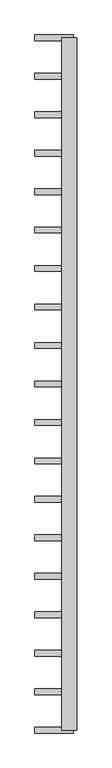
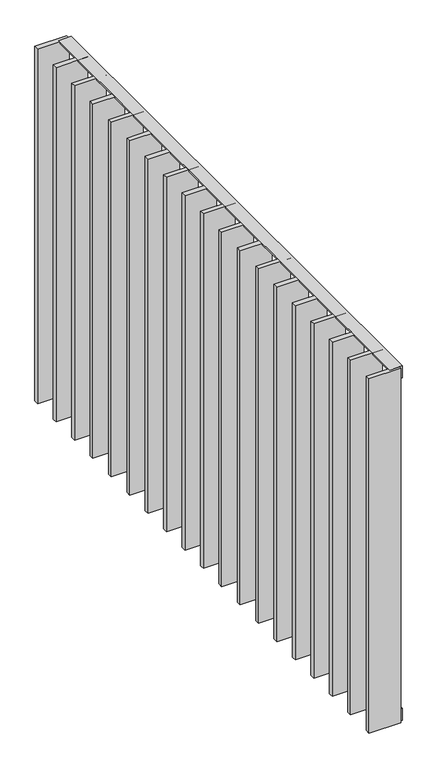
"""IFC4 building model written with IfcOpenShell, lengths in millimetres: railing geometry."""

from ifc_helpers import new_model, si_unit, frame, origin, place, context, project, spatial, polyline, outline, extrude, source, transform, mapped, element, save


def railing_aebfba8a(model_context):
    return source(origin(), model_context, "Body", "SweptSolid", [
        extrude(outline(polyline([(-6.0, 14.0), (-40.0, 14.0), (-40.0, 20.0), (0.0, 20.0), (0.0, -20.0), (-6.0, -20.0), (-6.0, 14.0)])), frame((4559.5112064, 28991.429446, 8000.0), z_axis=(2.5632840969418397e-12, 1.0, 0.0), x_axis=(0.0, 0.0, 1.0)), (0.0, 0.0, 1.0), 1810.0),
        extrude(outline(polyline([(6.0, 14.0), (6.0, -20.0), (0.0, -20.0), (0.0, 20.0), (40.0, 20.0), (40.0, 14.0), (6.0, 14.0)])), frame((4559.5112064, 28991.429446, 6820.0), z_axis=(2.5632840969418397e-12, 1.0, 0.0), x_axis=(0.0, 0.0, 1.0)), (0.0, 0.0, 1.0), 1810.0),
        extrude(outline(polyline([(4569.5112064, 30693.3738904), (4469.5112064, 30693.3738904), (4469.5112064, 30708.3738904), (4569.5112064, 30708.3738904), (4569.5112064, 30693.3738904)])), frame((0.0, 0.0, 6819.9), z_axis=(0.0, 0.0, 1.0), x_axis=(1.0, 0.0, 0.0)), (0.0, 0.0, 1.0), 1180.2),
        extrude(outline(polyline([(4569.5112064, 30592.8183349), (4469.5112064, 30592.8183349), (4469.5112064, 30607.8183349), (4569.5112064, 30607.8183349), (4569.5112064, 30592.8183349)])), frame((0.0, 0.0, 6819.9), z_axis=(0.0, 0.0, 1.0), x_axis=(1.0, 0.0, 0.0)), (0.0, 0.0, 1.0), 1180.2),
        extrude(outline(polyline([(4569.5112064, 30492.2627793), (4469.5112064, 30492.2627793), (4469.5112064, 30507.2627793), (4569.5112064, 30507.2627793), (4569.5112064, 30492.2627793)])), frame((0.0, 0.0, 6819.9), z_axis=(0.0, 0.0, 1.0), x_axis=(1.0, 0.0, 0.0)), (0.0, 0.0, 1.0), 1180.2),
        extrude(outline(polyline([(4569.5112064, 30391.7072238), (4469.5112064, 30391.7072238), (4469.5112064, 30406.7072238), (4569.5112064, 30406.7072238), (4569.5112064, 30391.7072238)])), frame((0.0, 0.0, 6819.9), z_axis=(0.0, 0.0, 1.0), x_axis=(1.0, 0.0, 0.0)), (0.0, 0.0, 1.0), 1180.2),
        extrude(outline(polyline([(4569.5112064, 30291.1516682), (4469.5112064, 30291.1516682), (4469.5112064, 30306.1516682), (4569.5112064, 30306.1516682), (4569.5112064, 30291.1516682)])), frame((0.0, 0.0, 6819.9), z_axis=(0.0, 0.0, 1.0), x_axis=(1.0, 0.0, 0.0)), (0.0, 0.0, 1.0), 1180.2),
        extrude(outline(polyline([(4569.5112064, 30190.5961127), (4469.5112064, 30190.5961127), (4469.5112064, 30205.5961127), (4569.5112064, 30205.5961127), (4569.5112064, 30190.5961127)])), frame((0.0, 0.0, 6819.9), z_axis=(0.0, 0.0, 1.0), x_axis=(1.0, 0.0, 0.0)), (0.0, 0.0, 1.0), 1180.2),
        extrude(outline(polyline([(4569.5112064, 30090.0405571), (4469.5112064, 30090.0405571), (4469.5112064, 30105.0405571), (4569.5112064, 30105.0405571), (4569.5112064, 30090.0405571)])), frame((0.0, 0.0, 6819.9), z_axis=(0.0, 0.0, 1.0), x_axis=(1.0, 0.0, 0.0)), (0.0, 0.0, 1.0), 1180.2),
        extrude(outline(polyline([(4569.5112064, 29989.4850015), (4469.5112064, 29989.4850015), (4469.5112064, 30004.4850015), (4569.5112064, 30004.4850015), (4569.5112064, 29989.4850015)])), frame((0.0, 0.0, 6819.9), z_axis=(0.0, 0.0, 1.0), x_axis=(1.0, 0.0, 0.0)), (0.0, 0.0, 1.0), 1180.2),
        extrude(outline(polyline([(4569.5112064, 29888.929446), (4469.5112064, 29888.929446), (4469.5112064, 29903.929446), (4569.5112064, 29903.929446), (4569.5112064, 29888.929446)])), frame((0.0, 0.0, 6819.9), z_axis=(0.0, 0.0, 1.0), x_axis=(1.0, 0.0, 0.0)), (0.0, 0.0, 1.0), 1180.2),
        extrude(outline(polyline([(4569.5112064, 29788.3738904), (4469.5112064, 29788.3738904), (4469.5112064, 29803.3738904), (4569.5112064, 29803.3738904), (4569.5112064, 29788.3738904)])), frame((0.0, 0.0, 6819.9), z_axis=(0.0, 0.0, 1.0), x_axis=(1.0, 0.0, 0.0)), (0.0, 0.0, 1.0), 1180.2),
        extrude(outline(polyline([(4569.5112064, 29687.8183349), (4469.5112064, 29687.8183349), (4469.5112064, 29702.8183349), (4569.5112064, 29702.8183349), (4569.5112064, 29687.8183349)])), frame((0.0, 0.0, 6819.9), z_axis=(0.0, 0.0, 1.0), x_axis=(1.0, 0.0, 0.0)), (0.0, 0.0, 1.0), 1180.2),
        extrude(outline(polyline([(4569.5112064, 29587.2627793), (4469.5112064, 29587.2627793), (4469.5112064, 29602.2627793), (4569.5112064, 29602.2627793), (4569.5112064, 29587.2627793)])), frame((0.0, 0.0, 6819.9), z_axis=(0.0, 0.0, 1.0), x_axis=(1.0, 0.0, 0.0)), (0.0, 0.0, 1.0), 1180.2),
        extrude(outline(polyline([(4569.5112064, 29486.7072238), (4469.5112064, 29486.7072238), (4469.5112064, 29501.7072238), (4569.5112064, 29501.7072238), (4569.5112064, 29486.7072238)])), frame((0.0, 0.0, 6819.9), z_axis=(0.0, 0.0, 1.0), x_axis=(1.0, 0.0, 0.0)), (0.0, 0.0, 1.0), 1180.2),
        extrude(outline(polyline([(4569.5112064, 29386.1516682), (4469.5112064, 29386.1516682), (4469.5112064, 29401.1516682), (4569.5112064, 29401.1516682), (4569.5112064, 29386.1516682)])), frame((0.0, 0.0, 6819.9), z_axis=(0.0, 0.0, 1.0), x_axis=(1.0, 0.0, 0.0)), (0.0, 0.0, 1.0), 1180.2),
        extrude(outline(polyline([(4569.5112064, 29285.5961127), (4469.5112064, 29285.5961127), (4469.5112064, 29300.5961127), (4569.5112064, 29300.5961127), (4569.5112064, 29285.5961127)])), frame((0.0, 0.0, 6819.9), z_axis=(0.0, 0.0, 1.0), x_axis=(1.0, 0.0, 0.0)), (0.0, 0.0, 1.0), 1180.2),
        extrude(outline(polyline([(4569.5112064, 29185.0405571), (4469.5112064, 29185.0405571), (4469.5112064, 29200.0405571), (4569.5112064, 29200.0405571), (4569.5112064, 29185.0405571)])), frame((0.0, 0.0, 6819.9), z_axis=(0.0, 0.0, 1.0), x_axis=(1.0, 0.0, 0.0)), (0.0, 0.0, 1.0), 1180.2),
        extrude(outline(polyline([(4569.5112064, 29084.4850015), (4469.5112064, 29084.4850015), (4469.5112064, 29099.4850015), (4569.5112064, 29099.4850015), (4569.5112064, 29084.4850015)])), frame((0.0, 0.0, 6819.9), z_axis=(0.0, 0.0, 1.0), x_axis=(1.0, 0.0, 0.0)), (0.0, 0.0, 1.0), 1180.2),
        extrude(outline(polyline([(4569.5112064, 30793.929446), (4469.5112064, 30793.929446), (4469.5112064, 30808.929446), (4569.5112064, 30808.929446), (4569.5112064, 30793.929446)])), frame((0.0, 0.0, 6819.9), z_axis=(0.0, 0.0, 1.0), x_axis=(1.0, 0.0, 0.0)), (0.0, 0.0, 1.0), 1180.2),
        extrude(outline(polyline([(4569.5112064, 28983.929446), (4469.5112064, 28983.929446), (4469.5112064, 28998.929446), (4569.5112064, 28998.929446), (4569.5112064, 28983.929446)])), frame((0.0, 0.0, 6819.9), z_axis=(0.0, 0.0, 1.0), x_axis=(1.0, 0.0, 0.0)), (0.0, 0.0, 1.0), 1180.2),
    ])


if __name__ == "__main__":
    model = new_model("IFC4")
    model_context = context("Model", 3, world=origin())
    ifc_project = project(units=[si_unit("LENGTHUNIT", "METRE", prefix="MILLI")], contexts=[model_context])
    site = spatial("IfcSite", under=ifc_project)
    building = spatial("IfcBuilding", under=site)
    placement = place(None, origin())
    railing_shape = railing_aebfba8a(model_context)
    element("IfcRailing", 1, at=placement, inside=building, context=model_context, shape_type="MappedRepresentation", body=[
        mapped(railing_shape, transform((0.0, 0.0, 0.0), x_axis=(1.0, 0.0, 0.0), y_axis=(0.0, 1.0, 0.0), z_axis=(0.0, 0.0, 1.0))),
    ])
    save(model, "model.ifc")
